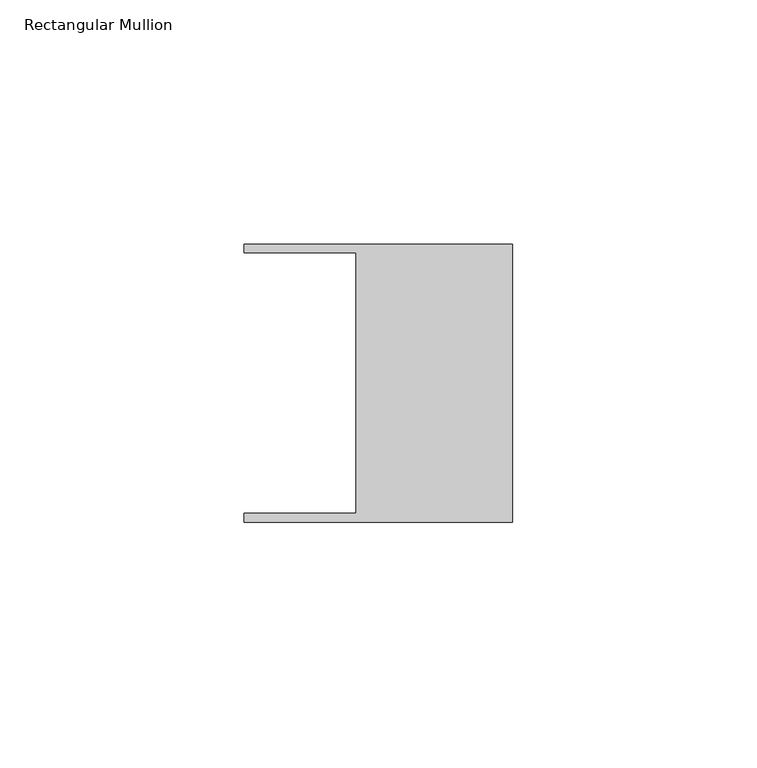
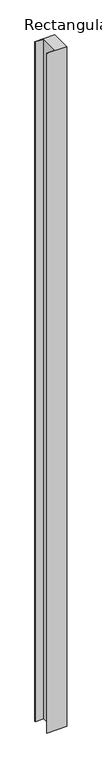
"""IFC4 building model written with IfcOpenShell, lengths in millimetres: member geometry, Rectangular Mullion."""

from ifc_helpers import new_model, si_unit, frame, origin, place, context, project, spatial, polyline, outline, extrude, source, transform, mapped, element, save


def rectangular_mullion_da330979(model_context):
    return source(origin(), model_context, "Body", "SweptSolid", [
        extrude(outline(polyline([(-32.004, -26.67), (-32.004, 26.67), (-54.991, 26.67), (-54.991, 28.448), (0.0, 28.448), (0.0, -28.448), (-54.991, -28.448), (-54.991, -26.67), (-32.004, -26.67)])), frame((0.0, 0.0, -1970.7494509), z_axis=(0.0, 0.0, 1.0), x_axis=(1.0, 0.0, 0.0)), (0.0, 0.0, 1.0), 1970.7494509),
    ])


if __name__ == "__main__":
    model = new_model("IFC4")
    model_context = context("Model", 3, world=origin())
    ifc_project = project(units=[si_unit("LENGTHUNIT", "METRE", prefix="MILLI")], contexts=[model_context])
    site = spatial("IfcSite", under=ifc_project)
    building = spatial("IfcBuilding", under=site)
    placement = place(None, origin())
    rectangular_mullion_shape = rectangular_mullion_da330979(model_context)
    element("IfcMember", 1, ObjectType="Rectangular Mullion", at=placement, inside=building, context=model_context, shape_type="MappedRepresentation", body=[
        mapped(rectangular_mullion_shape, transform((0.0, 0.0, 0.0), x_axis=(1.0, 0.0, 0.0), y_axis=(0.0, 1.0, 0.0), z_axis=(0.0, 0.0, 1.0))),
    ])
    save(model, "model.ifc")
